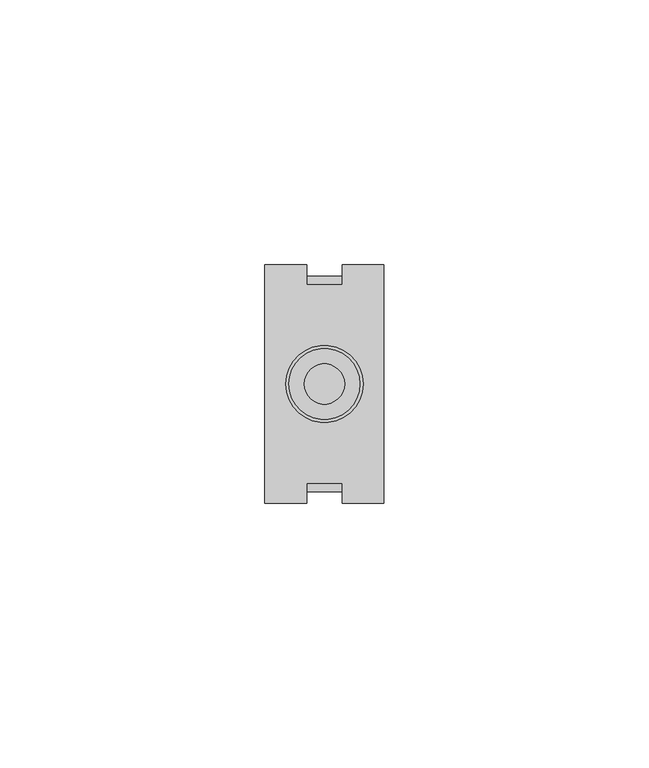
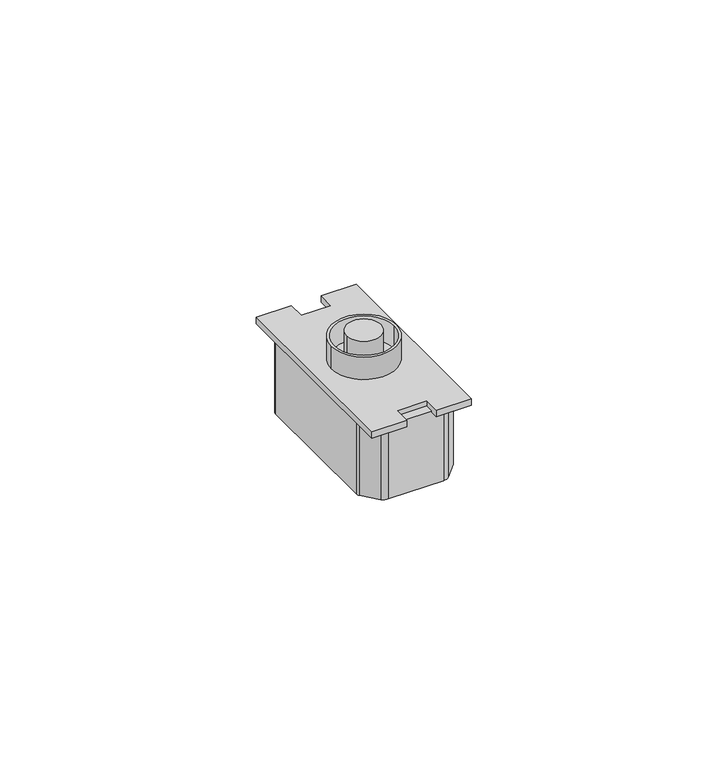
"""IFC4 building model written with IfcOpenShell, lengths in millimetres: proxy geometry."""

from ifc_helpers import new_model, si_unit, point, frame, frame_2d, origin, origin_with_axes, place, context, project, spatial, polyline, circle_curve, trimmed, segment, composite_curve, outline, extrude, source, transform, mapped, element, save


def electrical_fixtures_f4f773a4(model_context):
    return source(origin(), model_context, "Body", "SweptSolid", [
        extrude(outline(composite_curve([segment(trimmed(circle_curve(frame_2d((11.25, 22.5)), 3.8), [point((7.45, 22.5))], [point((15.05, 22.5))], False, "CARTESIAN"), True, "CONTINUOUS"), segment(trimmed(circle_curve(frame_2d((11.25, 22.5)), 3.8), [point((15.05, 22.5))], [point((7.45, 22.5))], False, "CARTESIAN"), True, "CONTINUOUS")], self_intersect=False)), frame((0.0, 0.0, 2.4329338), z_axis=(0.0, 0.0, 1.0), x_axis=(1.0, 0.0, 0.0)), (0.0, 0.0, 1.0), 5.7462248),
        extrude(outline(composite_curve([segment(trimmed(circle_curve(frame_2d((11.25, 22.5)), 7.2919601), [point((3.9580399, 22.5))], [point((18.5419601, 22.5))], False, "CARTESIAN"), True, "CONTINUOUS"), segment(trimmed(circle_curve(frame_2d((11.25, 22.5)), 7.2919601), [point((18.5419601, 22.5))], [point((3.9580399, 22.5))], False, "CARTESIAN"), True, "CONTINUOUS")], self_intersect=False), holes=[composite_curve([segment(trimmed(circle_curve(frame_2d((11.25, 22.5)), 6.7130724), [point((4.5369276, 22.5))], [point((17.9630724, 22.5))], True, "CARTESIAN"), True, "CONTINUOUS"), segment(trimmed(circle_curve(frame_2d((11.25, 22.5)), 6.7130724), [point((17.9630724, 22.5))], [point((4.5369276, 22.5))], True, "CARTESIAN"), True, "CONTINUOUS")], self_intersect=False)]), frame((0.0, 0.0, 1.5), z_axis=(0.0, 0.0, 1.0), x_axis=(1.0, 0.0, 0.0)), (0.0, 0.0, 1.0), 5.3722979),
        extrude(outline(composite_curve([segment(trimmed(circle_curve(frame_2d((22.9785709, 22.0163771)), 28.0250427), [point((0.6708855, 38.9801677))], [point((3.6496058, 42.3090883))], False, "CARTESIAN"), True, "CONTINUOUS"), segment(trimmed(circle_curve(frame_2d((5.0058625, 40.8852084)), 1.9664349), [point((3.6496058, 42.3090883))], [point((5.0058625, 42.8516432))], False, "CARTESIAN"), True, "CONTINUOUS"), segment(polyline([(5.0058625, 42.8516432), (17.4941375, 42.8516432)]), True, "CONTINUOUS"), segment(trimmed(circle_curve(frame_2d((17.4941375, 40.8852084)), 1.9664349), [point((17.4941375, 42.8516432))], [point((18.8503942, 42.3090883))], False, "CARTESIAN"), True, "CONTINUOUS"), segment(trimmed(circle_curve(frame_2d((-0.4785709, 22.0163771)), 28.0250427), [point((18.8503942, 42.3090883))], [point((21.8291145, 38.9801677))], False, "CARTESIAN"), True, "CONTINUOUS"), segment(trimmed(circle_curve(frame_2d((20.8665201, 38.2481666)), 1.2093029), [point((21.8291145, 38.9801677))], [point((22.075823, 38.2481666))], False, "CARTESIAN"), True, "CONTINUOUS"), segment(polyline([(22.075823, 38.2481666), (22.075823, 6.7518334)]), True, "CONTINUOUS"), segment(trimmed(circle_curve(frame_2d((20.8665201, 6.7518334)), 1.2093029), [point((22.075823, 6.7518334))], [point((21.8291145, 6.0198323))], False, "CARTESIAN"), True, "CONTINUOUS"), segment(trimmed(circle_curve(frame_2d((-0.4785709, 22.9836229)), 28.0250427), [point((21.8291145, 6.0198323))], [point((18.8503942, 2.6909117))], False, "CARTESIAN"), True, "CONTINUOUS"), segment(trimmed(circle_curve(frame_2d((17.4941375, 4.1147916)), 1.9664349), [point((18.8503942, 2.6909117))], [point((17.4941375, 2.1483568))], False, "CARTESIAN"), True, "CONTINUOUS"), segment(polyline([(17.4941375, 2.1483568), (5.0058625, 2.1483568)]), True, "CONTINUOUS"), segment(trimmed(circle_curve(frame_2d((5.0058625, 4.1147916)), 1.9664349), [point((5.0058625, 2.1483568))], [point((3.6496058, 2.6909117))], False, "CARTESIAN"), True, "CONTINUOUS"), segment(trimmed(circle_curve(frame_2d((22.9785709, 22.9836229)), 28.0250427), [point((3.6496058, 2.6909117))], [point((0.6708855, 6.0198323))], False, "CARTESIAN"), True, "CONTINUOUS"), segment(trimmed(circle_curve(frame_2d((1.6334799, 6.7518334)), 1.2093029), [point((0.6708855, 6.0198323))], [point((0.424177, 6.7518334))], False, "CARTESIAN"), True, "CONTINUOUS"), segment(polyline([(0.424177, 6.7518334), (0.424177, 38.2481666)]), True, "CONTINUOUS"), segment(trimmed(circle_curve(frame_2d((1.6334799, 38.2481666)), 1.2093029), [point((0.424177, 38.2481666))], [point((0.6708855, 38.9801677))], False, "CARTESIAN"), True, "CONTINUOUS")], self_intersect=False)), frame((0.0, 0.0, -17.5074078), z_axis=(0.0, 0.0, 1.0), x_axis=(1.0, 0.0, 0.0)), (0.0, 0.0, 1.0), 17.5074078),
        extrude(outline(polyline([(0.0, 0.0), (0.0, 45.0), (7.9131171, 45.0), (7.9131171, 41.2139641), (14.5868829, 41.2139641), (14.5868829, 45.0), (22.5, 45.0), (22.5, 0.0), (14.5868829, 0.0), (14.5868829, 3.7860359), (7.9131171, 3.7860359), (7.9131171, 0.0), (0.0, 0.0)])), origin_with_axes(), (0.0, 0.0, 1.0), 1.5),
    ])


if __name__ == "__main__":
    model = new_model("IFC4")
    model_context = context("Model", 3, world=origin())
    ifc_project = project(units=[si_unit("LENGTHUNIT", "METRE", prefix="MILLI")], contexts=[model_context])
    site = spatial("IfcSite", under=ifc_project)
    building = spatial("IfcBuilding", under=site)
    placement = place(None, origin())
    electrical_fixtures_shape = electrical_fixtures_f4f773a4(model_context)
    element("IfcBuildingElementProxy", 1, Name="Electrical Fixtures", at=placement, inside=building, context=model_context, shape_type="MappedRepresentation", body=[
        mapped(electrical_fixtures_shape, transform((0.0, 0.0, 0.0), x_axis=(1.0, 0.0, 0.0), y_axis=(0.0, 1.0, 0.0), z_axis=(0.0, 0.0, 1.0))),
    ])
    save(model, "model.ifc")
